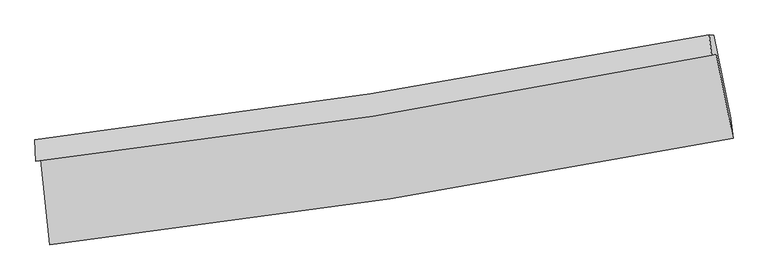
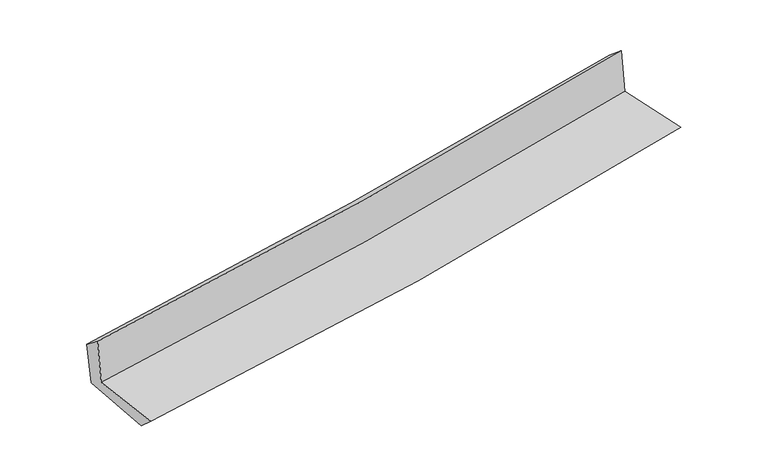
"""IFC4 building model written with IfcOpenShell, lengths in millimetres: proxy geometry."""

from ifc_helpers import new_model, si_unit, frame, origin, place, context, project, spatial, source, transform, mapped, element, save
from ifc_brep_helpers import plane_surface, spline_curve, spline_surface, advanced_brep


def generic_models_07f2417a(model_context):
    return source(origin(), model_context, "Body", "AdvancedBrep", [
        advanced_brep(
        [(-2649.6418648, -1898.4222743, 1650.9636401), (-2576.8832754, -2559.2697779, 1648.9542334), (2741.5762109, -1731.1052024, 2123.6528402), (2610.9679221, -1073.9988786, 2121.2228419), (-2686.5765406, -1907.13664, 2065.473604), (2574.6453118, -1082.5688336, 2528.8637264), (-2693.396227, -1741.697449, 1941.323052), (2555.260674, -924.837216, 2400.008417), (-2657.4218086, -1752.7973355, 1561.1218788), (2589.5624574, -926.1925698, 2035.2126256), (-2581.1375971, -2415.7370429, 1523.0580169), (2721.6821904, -1574.739605, 2003.1731885)],
        [
            (0, 1),
            (1, 2, spline_curve(3, [(-2576.8832754, -2559.2697779, 1648.9542334), (-1690.139709483, -2457.718672371, 1713.802075827), (-806.572416186, -2338.522939591, 1785.466709091), (966.335510861, -2062.957477701, 1943.510505758), (1855.588046304, -1906.098351751, 2030.078741093), (2741.5762109, -1731.1052024, 2123.6528402)], [4, 2, 4], [0.0, 8.758615825077685, 17.637866654001026])),
            (2, 3),
            (3, 0, spline_curve(3, [(2610.9679221, -1073.9988786, 2121.2228419), (1734.661461155, -1253.082138823, 2042.180239676), (855.103646451, -1411.656288685, 1963.203086509), (-898.520695745, -1685.910592136, 1806.451785655), (-1772.499476617, -1802.144241169, 1728.675871481), (-2649.6418648, -1898.4222743, 1650.9636401)], [4, 2, 4], [0.0, 8.879250828923341, 17.637866654001026])),
            (4, 0),
            (3, 5),
            (5, 4, spline_curve(3, [(2574.6453118, -1082.5688336, 2528.8637264), (1698.418409152, -1261.633322918, 2448.928261068), (818.848395733, -1420.210350802, 2370.088009917), (-934.982444873, -1694.513375786, 2215.654193306), (-1809.153049034, -1810.792283224, 2140.031070347), (-2686.5765406, -1907.13664, 2065.473604)], [4, 2, 4], [0.0, 8.831692458586918, 17.543396049392918])),
            (6, 4),
            (5, 7),
            (7, 6, spline_curve(3, [(2555.260674, -924.837216, 2400.008417), (1679.662906209, -1094.345335772, 2323.463760948), (801.466760376, -1247.52574555, 2246.704762915), (-948.155664568, -1519.371841517, 2093.803856895), (-1819.511818881, -1638.47817605, 2017.667733017), (-2693.396227, -1741.697449, 1941.323052)], [4, 2, 4], [0.0, 8.819653284454645, 17.519481267384776])),
            (8, 6),
            (7, 9),
            (9, 8, spline_curve(3, [(2589.5624574, -926.1925698, 2035.2126256), (1714.020200847, -1094.116275806, 1954.690496271), (835.99292031, -1247.333087488, 1874.654960957), (-913.068900381, -1522.47110354, 1716.637844214), (-1784.036375048, -1644.78921347, 1638.643130539), (-2657.4218086, -1752.7973355, 1561.1218788)], [4, 2, 4], [0.0, 8.808443659121926, 17.497214312585413])),
            (10, 8),
            (9, 11),
            (11, 10, spline_curve(3, [(2721.6821904, -1574.739605, 2003.1731885), (1837.735993746, -1753.593566498, 1921.339918589), (950.818656548, -1913.453978992, 1840.144370798), (-816.868123946, -2193.27386497, 1680.123190657), (-1697.557382447, -2313.745931919, 1601.280348373), (-2581.1375971, -2415.7370429, 1523.0580169)], [4, 2, 4], [0.0, 8.857375127908456, 17.59441245894591])),
            (1, 10),
            (11, 2),
        ],
        [
            spline_surface(3, 3, [[(-2649.6418648, -1898.4222743, 1650.9636401), (-1772.499476758, -1802.144241086, 1728.675871557), (-898.520695833, -1685.910592274, 1806.451785614), (855.10364654, -1411.656288545, 1963.203086551), (1734.661461246, -1253.082138782, 2042.180239784), (2610.9679221, -1073.9988786, 2121.2228419)], [(-2625.389001654, -2118.704775492, 1650.29383787), (-1745.046220948, -2020.669051463, 1723.717939655), (-867.871269237, -1903.448041372, 1799.456760158), (892.180934607, -1628.756684915, 1956.638892917), (1774.970322899, -1470.754209789, 2038.146406928), (2654.50401836, -1293.034319866, 2122.032841341)], [(-2601.136138546, -2338.987276708, 1649.62403563), (-1717.592965175, -2239.193861865, 1718.760007743), (-837.221842653, -2120.985490506, 1792.461734678), (929.258222662, -1845.857081319, 1950.074699259), (1815.279184571, -1688.426280797, 2034.11257405), (2698.04011464, -1512.069761134, 2122.842840759)], [(-2576.8832754, -2559.2697779, 1648.9542334), (-1690.139709364, -2457.718672242, 1713.802075841), (-806.572416056, -2338.522939604, 1785.466709222), (966.335510729, -2062.957477688, 1943.510505626), (1855.588046223, -1906.098351804, 2030.078741194), (2741.5762109, -1731.1052024, 2123.6528402)]], [4, 4], [4, 2, 4], [0.0, 2.165843891058225], [0.0, 8.758615825077685, 17.637866654001026]),
            spline_surface(3, 3, [[(-2686.5765406, -1907.13664, 2065.473604), (-1809.15304899, -1810.792283223, 2140.03107026), (-934.982444815, -1694.513375737, 2215.654193238), (818.848395675, -1420.210350852, 2370.088009986), (1698.418409008, -1261.633322857, 2448.928261173), (2574.6453118, -1082.5688336, 2528.8637264)], [(-2674.26498201, -1904.23185143, 1927.303616036), (-1796.93519159, -1807.909602508, 2002.912670695), (-922.82852849, -1691.645781276, 2079.253390677), (830.933479295, -1417.358996776, 2234.459702154), (1710.499426433, -1258.782928159, 2313.345587383), (2586.752848578, -1079.712181927, 2392.983431573)], [(-2661.95342339, -1901.32706287, 1789.133628064), (-1784.717334159, -1805.026921802, 1865.794271122), (-910.674612159, -1688.778186735, 1942.852588176), (843.01856292, -1414.507642621, 2098.831394383), (1722.580443822, -1255.93253348, 2177.762913574), (2598.860385322, -1076.855530273, 2257.103136727)], [(-2649.6418648, -1898.4222743, 1650.9636401), (-1772.499476758, -1802.144241086, 1728.675871557), (-898.520695833, -1685.910592274, 1806.451785614), (855.10364654, -1411.656288545, 1963.203086551), (1734.661461246, -1253.082138782, 2042.180239784), (2610.9679221, -1073.9988786, 2121.2228419)]], [4, 4], [4, 2, 4], [0.0, 1.3442727979647024], [0.0, 8.711703590806, 17.543396049392918]),
            spline_surface(3, 3, [[(-2693.396227, -1741.697449, 1941.323052), (-1819.511818832, -1638.478176109, 2017.667732935), (-948.155664459, -1519.37184159, 2093.803856773), (801.466760266, -1247.525745476, 2246.704763039), (1679.662906225, -1094.345335666, 2323.463760871), (2555.260674, -924.837216, 2400.008417)], [(-2691.122998181, -1796.843846016, 1982.706569333), (-1816.058895532, -1695.91621183, 2058.455512042), (-943.764591243, -1577.752352955, 2134.420635608), (807.260638737, -1305.087280584, 2287.832512035), (1685.914740484, -1150.107998088, 2365.285260957), (2561.722219932, -977.414421892, 2442.960186785)], [(-2688.849769419, -1851.990242984, 2024.090086667), (-1812.605972291, -1753.354247503, 2099.243291152), (-939.373518032, -1636.132864372, 2175.037414404), (813.054517204, -1362.648815743, 2328.960260991), (1692.166574749, -1205.870660434, 2407.106761087), (2568.183765868, -1029.991627708, 2485.911956615)], [(-2686.5765406, -1907.13664, 2065.473604), (-1809.15304899, -1810.792283223, 2140.03107026), (-934.982444815, -1694.513375737, 2215.654193238), (818.848395675, -1420.210350852, 2370.088009986), (1698.418409008, -1261.633322857, 2448.928261173), (2574.6453118, -1082.5688336, 2528.8637264)]], [4, 4], [4, 2, 4], [0.0, 0.6999153560589981], [0.0, 8.699827982930131, 17.519481267384776]),
            spline_surface(3, 3, [[(-2657.4218086, -1752.7973355, 1561.1218788), (-1784.036374996, -1644.789213537, 1638.643130429), (-913.068900325, -1522.471103444, 1716.637844165), (835.992920253, -1247.333087585, 1874.654961006), (1714.020200868, -1094.116275794, 1954.690496221), (2589.5624574, -926.1925698, 2035.2126256)], [(-2669.413281395, -1749.09737332, 1687.855603187), (-1795.861522937, -1642.685534381, 1764.984664585), (-924.764488349, -1521.438016177, 1842.35984837), (824.484200278, -1247.397306899, 1998.671561686), (1702.567769302, -1094.192629078, 2077.614917765), (2578.128529582, -925.740785193, 2156.811222727)], [(-2681.404754205, -1745.39741118, 1814.589327613), (-1807.686670892, -1640.581855264, 1891.326198779), (-936.460076435, -1520.404928858, 1968.081852568), (812.975480241, -1247.461526162, 2122.688162359), (1691.115337791, -1094.268982382, 2200.539339327), (2566.694601818, -925.289000607, 2278.409819873)], [(-2693.396227, -1741.697449, 1941.323052), (-1819.511818832, -1638.478176109, 2017.667732935), (-948.155664459, -1519.37184159, 2093.803856773), (801.466760266, -1247.525745476, 2246.704763039), (1679.662906225, -1094.345335666, 2323.463760871), (2555.260674, -924.837216, 2400.008417)]], [4, 4], [4, 2, 4], [0.0, 1.234215459968397], [0.0, 8.688770653463488, 17.497214312585413]),
            spline_surface(3, 3, [[(-2581.1375971, -2415.7370429, 1523.0580169), (-1697.557382412, -2313.745931811, 1601.280348235), (-816.868123826, -2193.273865014, 1680.123190799), (950.818656426, -1913.453978948, 1840.144370654), (1837.735993658, -1753.593566444, 1921.339918615), (2721.6821904, -1574.739605, 2003.1731885)], [(-2606.565667619, -2194.757140448, 1535.745970886), (-1726.383713292, -2090.760359068, 1613.734608986), (-848.935049337, -1969.672944486, 1692.294741921), (912.543411024, -1691.413681822, 1851.647900772), (1796.497396059, -1533.767802899, 1932.456777824), (2677.642279397, -1358.557259939, 2013.853000874)], [(-2631.993738081, -1973.777237952, 1548.433924814), (-1755.210044116, -1867.77478628, 1626.188869678), (-881.001974814, -1746.072023972, 1704.466293042), (874.268165655, -1469.37338471, 1863.151430888), (1755.258798467, -1313.942039338, 1943.573637012), (2633.602368403, -1142.374914861, 2024.532813226)], [(-2657.4218086, -1752.7973355, 1561.1218788), (-1784.036374996, -1644.789213537, 1638.643130429), (-913.068900325, -1522.471103444, 1716.637844165), (835.992920253, -1247.333087585, 1874.654961006), (1714.020200868, -1094.116275794, 1954.690496221), (2589.5624574, -926.1925698, 2035.2126256)]], [4, 4], [4, 2, 4], [0.0, 2.2232809818837684], [0.0, 8.737037331037454, 17.59441245894591]),
            spline_surface(3, 3, [[(-2576.8832754, -2559.2697779, 1648.9542334), (-1690.139709364, -2457.718672242, 1713.802075841), (-806.572416056, -2338.522939604, 1785.466709222), (966.335510729, -2062.957477688, 1943.510505626), (1855.588046223, -1906.098351804, 2030.078741194), (2741.5762109, -1731.1052024, 2123.6528402)], [(-2578.301382642, -2511.425532893, 1606.988827888), (-1692.612267055, -2409.727758759, 1676.294833294), (-810.00431866, -2290.106581397, 1750.352203077), (961.163225948, -2013.122978097, 1909.055127298), (1849.637362052, -1855.263423333, 1993.832467001), (2734.944870751, -1678.983336582, 2083.4929563)], [(-2579.719489858, -2463.581287907, 1565.023422412), (-1695.084824721, -2361.736845295, 1638.787590782), (-813.436221222, -2241.690223221, 1715.237696943), (955.990941208, -1963.288478539, 1874.599748981), (1843.686677829, -1804.428494915, 1957.586192808), (2728.313530549, -1626.861470818, 2043.3330724)], [(-2581.1375971, -2415.7370429, 1523.0580169), (-1697.557382412, -2313.745931811, 1601.280348235), (-816.868123826, -2193.273865014, 1680.123190799), (950.818656426, -1913.453978948, 1840.144370654), (1837.735993658, -1753.593566444, 1921.339918615), (2721.6821904, -1574.739605, 2003.1731885)]], [4, 4], [4, 2, 4], [0.0, 0.5940328980856779], [0.0, 8.795060623363112, 17.71125821554775]),
            plane_surface(frame((2632.2824611, -1218.9070509, 2202.0222733), z_axis=(0.9766691555122454, 0.19446243150793388, 0.09111379370336775), x_axis=(-0.09361650135841092, 0.0036990345673635822, 0.9956014603327379))),
            plane_surface(frame((-2640.8428856, -2045.8434199, 1731.8157375), z_axis=(-0.9899451970450853, -0.10871672562576168, -0.09049409050639805), x_axis=(-0.1094371187325126, 0.9939891258450134, 0.003022374131725587))),
        ],
        [
            (0, [[1, 2, 3, 4]]),
            (1, [[5, -4, 6, 7]]),
            (2, [[8, -7, 9, 10]]),
            (3, [[11, -10, 12, 13]]),
            (4, [[14, -13, 15, 16]]),
            (5, [[17, -16, 18, -2]]),
            (6, [[-12, -9, -6, -3, -18, -15]]),
            (7, [[-1, -5, -8, -11, -14, -17]]),
        ],
    ),
    ])


if __name__ == "__main__":
    model = new_model("IFC4")
    model_context = context("Model", 3, world=origin())
    ifc_project = project(units=[si_unit("LENGTHUNIT", "METRE", prefix="MILLI")], contexts=[model_context])
    site = spatial("IfcSite", under=ifc_project)
    building = spatial("IfcBuilding", under=site)
    placement = place(None, origin())
    generic_models_shape = generic_models_07f2417a(model_context)
    element("IfcBuildingElementProxy", 1, Name="Generic Models", at=placement, inside=building, context=model_context, shape_type="MappedRepresentation", body=[
        mapped(generic_models_shape, transform((0.0, 0.0, 0.0), x_axis=(1.0, 0.0, 0.0), y_axis=(0.0, 1.0, 0.0), z_axis=(0.0, 0.0, 1.0))),
    ])
    save(model, "model.ifc")
